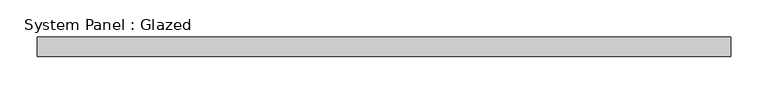
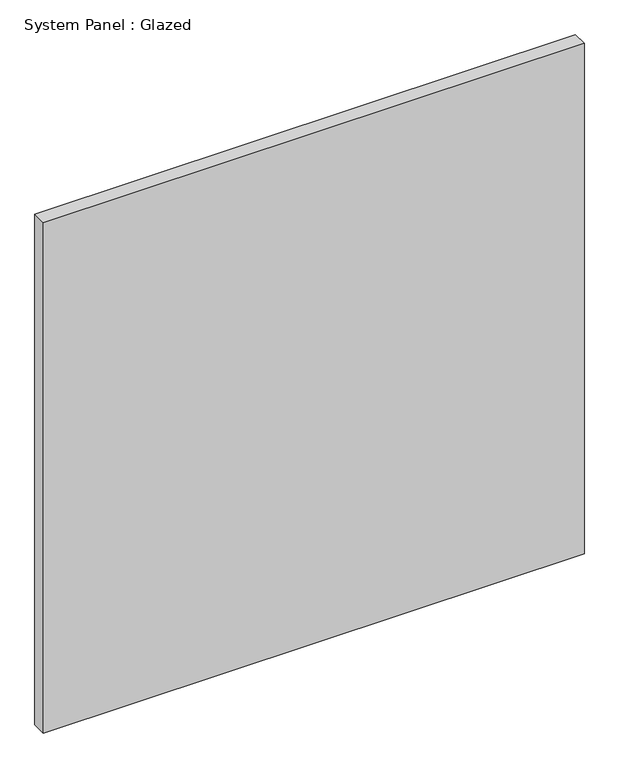
"""IFC4 building model written with IfcOpenShell, lengths in millimetres: plate geometry, System Panel : Glazed."""

from ifc_helpers import new_model, si_unit, origin, origin_with_axes, place, context, project, spatial, polyline, outline, extrude, source, transform, mapped, element, save


def system_panel_glazed_e51cfb52(model_context):
    return source(origin(), model_context, "Body", "SweptSolid", [
        extrude(outline(polyline([(462.3142111, 19.05), (-462.3142111, 19.05), (-462.3142111, 44.45), (462.3142111, 44.45), (462.3142111, 19.05)])), origin_with_axes(), (0.0, 0.0, 1.0), 922.3913815),
    ])


if __name__ == "__main__":
    model = new_model("IFC4")
    model_context = context("Model", 3, world=origin())
    ifc_project = project(units=[si_unit("LENGTHUNIT", "METRE", prefix="MILLI")], contexts=[model_context])
    site = spatial("IfcSite", under=ifc_project)
    building = spatial("IfcBuilding", under=site)
    placement = place(None, origin())
    system_panel_glazed_shape = system_panel_glazed_e51cfb52(model_context)
    element("IfcPlate", 1, ObjectType="System Panel : Glazed", at=placement, inside=building, context=model_context, shape_type="MappedRepresentation", body=[
        mapped(system_panel_glazed_shape, transform((0.0, 0.0, 0.0), x_axis=(1.0, 0.0, 0.0), y_axis=(0.0, 1.0, 0.0), z_axis=(0.0, 0.0, 1.0))),
    ])
    save(model, "model.ifc")
